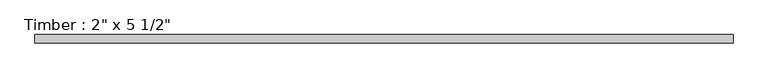
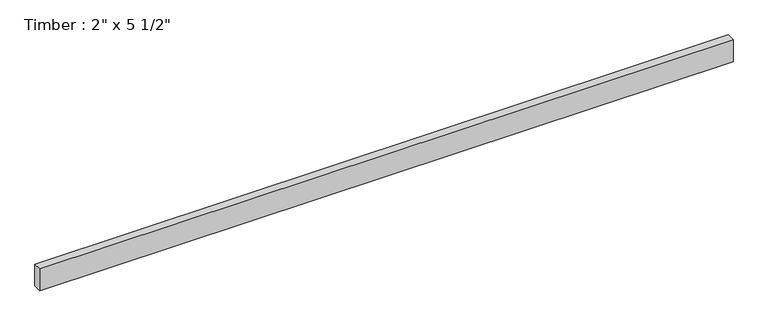
"""IFC4 building model written with IfcOpenShell, lengths in millimetres: beam geometry."""

from ifc_helpers import new_model, si_unit, frame, origin, place, context, project, spatial, polyline, outline, extrude, source, transform, mapped, element, save


def beam_4eec451d(model_context):
    return source(origin(), model_context, "Body", "SweptSolid", [
        extrude(outline(polyline([(2092.3026691, 25.4), (2092.3026691, -25.4), (-2102.3911495, -25.4), (-2102.3911495, 25.4), (2092.3026691, 25.4)])), frame((0.0, 0.0, -69.85), z_axis=(0.0, 0.0, 1.0), x_axis=(1.0, 0.0, 0.0)), (0.0, 0.0, 1.0), 139.7),
    ])


if __name__ == "__main__":
    model = new_model("IFC4")
    model_context = context("Model", 3, world=origin())
    ifc_project = project(units=[si_unit("LENGTHUNIT", "METRE", prefix="MILLI")], contexts=[model_context])
    site = spatial("IfcSite", under=ifc_project)
    building = spatial("IfcBuilding", under=site)
    placement = place(None, origin())
    beam_shape = beam_4eec451d(model_context)
    element("IfcBeam", 1, ObjectType="Timber : 2\" x 5 1/2\"", at=placement, inside=building, context=model_context, shape_type="MappedRepresentation", body=[
        mapped(beam_shape, transform((0.0, 0.0, 0.0), x_axis=(1.0, 0.0, 0.0), y_axis=(0.0, 1.0, 0.0), z_axis=(0.0, 0.0, 1.0))),
    ])
    save(model, "model.ifc")
